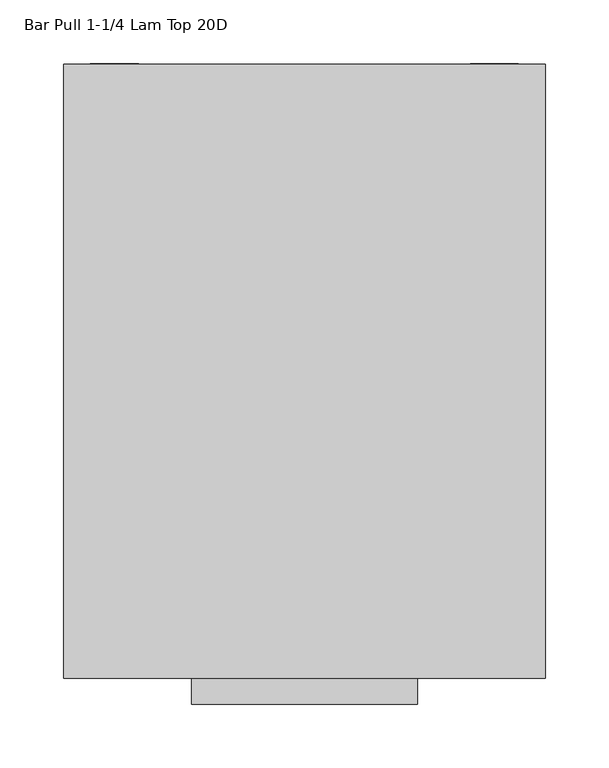
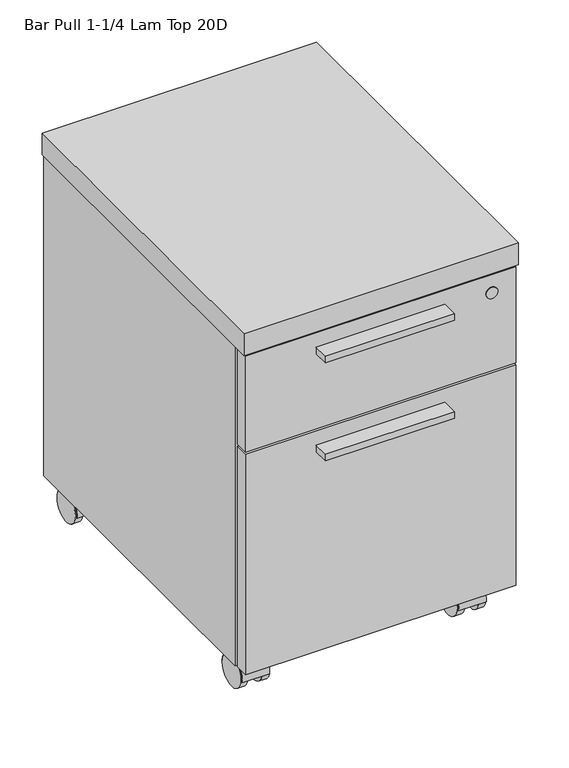
"""IFC4 building model written with IfcOpenShell, lengths in millimetres: furniture geometry, Bar Pull 1-1/4 Lam Top 20D."""

from ifc_helpers import new_model, si_unit, point, frame, frame_2d, origin, place, context, project, spatial, polyline, circle_curve, trimmed, segment, composite_curve, outline, extrude, source, transform, mapped, element, save
from ifc_brep_helpers import plane_surface, revolved_surface, advanced_brep


def bar_pull_1_1_4_lam_top_20d_9b448998(model_context):
    return source(origin(), model_context, "Body", "SolidModel", [
        extrude(outline(composite_curve([segment(trimmed(circle_curve(frame_2d((38.552757, -443.2433984)), 2.8952236), [point((35.6575335, -443.2433984))], [point((41.4479806, -443.2433984))], False, "CARTESIAN"), True, "CONTINUOUS"), segment(trimmed(circle_curve(frame_2d((38.552757, -443.2433984)), 2.8952236), [point((41.4479806, -443.2433984))], [point((35.6575335, -443.2433984))], False, "CARTESIAN"), True, "CONTINUOUS")], self_intersect=False)), frame((0.0, 0.0, 47.4178766), z_axis=(0.0, 0.0, 1.0), x_axis=(1.0, 0.0, 0.0)), (0.0, 0.0, 1.0), 2.54),
        extrude(outline(composite_curve([segment(trimmed(circle_curve(frame_2d((38.552757, -443.5086607)), 7.4123574), [point((31.1403996, -443.5086607))], [point((45.9651144, -443.5086607))], False, "CARTESIAN"), True, "CONTINUOUS"), segment(trimmed(circle_curve(frame_2d((38.552757, -443.5086607)), 7.4123574), [point((45.9651144, -443.5086607))], [point((31.1403996, -443.5086607))], False, "CARTESIAN"), True, "CONTINUOUS")], self_intersect=False)), frame((0.0, 0.0, 49.9578766), z_axis=(0.0, 0.0, 1.0), x_axis=(1.0, 0.0, 0.0)), (0.0, 0.0, 1.0), 4.7226624),
        advanced_brep(
        [(30.3783996, -443.5086607, 54.680539), (46.7271144, -443.5086607, 54.680539), (25.852757, -443.5086607, 57.5818), (51.252757, -443.5086607, 57.5818)],
        [
            (0, 1, circle_curve(frame((38.552757, -443.5086607, 54.680539), z_axis=(0.0, 0.0, -1.0), x_axis=(-1.0, 0.0, 0.0)), 8.1743574)),
            (1, 0, circle_curve(frame((38.552757, -443.5086607, 54.680539), z_axis=(0.0, 0.0, -1.0), x_axis=(1.0, 0.0, 0.0)), 8.1743574)),
            (2, 3, circle_curve(frame((38.552757, -443.5086607, 57.5818), z_axis=(0.0, 0.0, 1.0), x_axis=(1.0, 0.0, 0.0)), 12.7)),
            (3, 2, circle_curve(frame((38.552757, -443.5086607, 57.5818), z_axis=(0.0, 0.0, 1.0), x_axis=(-1.0, 0.0, 0.0)), 12.7)),
            (2, 0),
            (1, 3),
        ],
        [
            plane_surface(frame((38.552757, -443.5086607, 54.680539), z_axis=(0.0, 0.0, -1.0), x_axis=(0.0, -1.0, 0.0))),
            plane_surface(frame((38.552757, -443.5086607, 57.5818), z_axis=(0.0, 0.0, 1.0), x_axis=(0.0, -1.0, 0.0))),
            revolved_surface(polyline([(46.72711441053413, -443.5086607, 54.680539), (51.252757, -443.5086607, 57.5818)]), (38.552757, -443.5086607, 49.4401905), (0.0, 0.0, 1.0)),
            revolved_surface(polyline([(30.378399589465875, -443.5086607, 54.680539), (25.852757, -443.5086607, 57.5818)]), (38.552757, -443.5086607, 49.4401905), (0.0, 0.0, 1.0)),
        ],
        [
            (0, [[1, 2]]),
            (1, [[3, 4]]),
            (2, [[-3, 5, -2, 6]]),
            (3, [[-4, -6, -1, -5]]),
        ],
    ),
        extrude(outline(composite_curve([segment(trimmed(circle_curve(frame_2d((38.552757, -443.2781099)), 6.0714648), [point((32.4812922, -443.2781099))], [point((44.6242219, -443.2781099))], False, "CARTESIAN"), True, "CONTINUOUS"), segment(trimmed(circle_curve(frame_2d((38.552757, -443.2781099)), 6.0714648), [point((44.6242219, -443.2781099))], [point((32.4812922, -443.2781099))], False, "CARTESIAN"), True, "CONTINUOUS")], self_intersect=False)), frame((0.0, 0.0, 31.6701308), z_axis=(0.0, 0.0, 1.0), x_axis=(1.0, 0.0, 0.0)), (0.0, 0.0, 1.0), 15.7477457),
        extrude(outline(composite_curve([segment(polyline([(-401.009387, 18.6856043), (-402.0037644, 18.6856043)]), True, "CONTINUOUS"), segment(trimmed(circle_curve(frame_2d((-424.6129713, 22.0624907)), 22.86), [point((-402.0037644, 18.6856043))], [point((-447.2221782, 18.6856043))], True, "CARTESIAN"), True, "CONTINUOUS"), segment(polyline([(-447.2221782, 18.6856043), (-448.2152732, 18.6856043)]), True, "CONTINUOUS"), segment(trimmed(circle_curve(frame_2d((-424.6123301, 22.0624907)), 23.8432859), [point((-448.2152732, 18.6856043))], [point((-401.009387, 18.6856043))], False, "CARTESIAN"), True, "CONTINUOUS")], self_intersect=False)), frame((19.558, 0.0, 0.0), z_axis=(1.0, 0.0, 0.0), x_axis=(0.0, 1.0, 0.0)), (0.0, 0.0, 1.0), 37.9984),
        extrude(outline(composite_curve([segment(trimmed(circle_curve(frame_2d((-424.6129713, 21.9964)), 21.9964), [point((-402.6165713, 21.9964))], [point((-446.6093713, 21.9964))], False, "CARTESIAN"), True, "CONTINUOUS"), segment(trimmed(circle_curve(frame_2d((-424.6129713, 21.9964)), 21.9964), [point((-446.6093713, 21.9964))], [point((-402.6165713, 21.9964))], False, "CARTESIAN"), True, "CONTINUOUS")], self_intersect=False)), frame((18.448657, 0.0, 0.0), z_axis=(1.0, 0.0, 0.0), x_axis=(0.0, 1.0, 0.0)), (0.0, 0.0, 1.0), 10.16),
        extrude(outline(composite_curve([segment(trimmed(circle_curve(frame_2d((-424.6129713, 21.9964)), 21.9964), [point((-402.6165713, 21.9964))], [point((-446.6093713, 21.9964))], False, "CARTESIAN"), True, "CONTINUOUS"), segment(trimmed(circle_curve(frame_2d((-424.6129713, 21.9964)), 21.9964), [point((-446.6093713, 21.9964))], [point((-402.6165713, 21.9964))], False, "CARTESIAN"), True, "CONTINUOUS")], self_intersect=False)), frame((48.496857, 0.0, 0.0), z_axis=(1.0, 0.0, 0.0), x_axis=(0.0, 1.0, 0.0)), (0.0, 0.0, 1.0), 10.16),
        extrude(outline(composite_curve([segment(trimmed(circle_curve(frame_2d((52.5526, -429.6167713)), 5.0038), [point((52.5526, -424.6129713))], [point((57.5564, -429.6167713))], False, "CARTESIAN"), True, "CONTINUOUS"), segment(polyline([(57.5564, -429.6167713), (57.5564, -457.6075713)]), True, "CONTINUOUS"), segment(trimmed(circle_curve(frame_2d((52.5526, -457.6075713)), 5.0038), [point((57.5564, -457.6075713))], [point((52.5526, -462.6113713))], False, "CARTESIAN"), True, "CONTINUOUS"), segment(polyline([(52.5526, -462.6113713), (24.5618, -462.6113713)]), True, "CONTINUOUS"), segment(trimmed(circle_curve(frame_2d((24.5618, -457.6075713)), 5.0038), [point((24.5618, -462.6113713))], [point((19.558, -457.6075713))], False, "CARTESIAN"), True, "CONTINUOUS"), segment(polyline([(19.558, -457.6075713), (19.558, -429.6167713)]), True, "CONTINUOUS"), segment(trimmed(circle_curve(frame_2d((24.5618, -429.6167713)), 5.0038), [point((19.558, -429.6167713))], [point((24.5618, -424.6129713))], False, "CARTESIAN"), True, "CONTINUOUS"), segment(polyline([(24.5618, -424.6129713), (52.5526, -424.6129713)]), True, "CONTINUOUS")], self_intersect=False)), frame((0.0, 0.0, 57.5818), z_axis=(0.0, 0.0, 1.0), x_axis=(1.0, 0.0, 0.0)), (0.0, 0.0, 1.0), 2.0066),
        extrude(outline(composite_curve([segment(trimmed(circle_curve(frame_2d((337.358357, -443.2433984)), 2.8952236), [point((334.4631335, -443.2433984))], [point((340.2535806, -443.2433984))], False, "CARTESIAN"), True, "CONTINUOUS"), segment(trimmed(circle_curve(frame_2d((337.358357, -443.2433984)), 2.8952236), [point((340.2535806, -443.2433984))], [point((334.4631335, -443.2433984))], False, "CARTESIAN"), True, "CONTINUOUS")], self_intersect=False)), frame((0.0, 0.0, 47.4178766), z_axis=(0.0, 0.0, 1.0), x_axis=(1.0, 0.0, 0.0)), (0.0, 0.0, 1.0), 2.54),
        extrude(outline(composite_curve([segment(trimmed(circle_curve(frame_2d((337.358357, -443.5086607)), 7.4123574), [point((329.9459996, -443.5086607))], [point((344.7707144, -443.5086607))], False, "CARTESIAN"), True, "CONTINUOUS"), segment(trimmed(circle_curve(frame_2d((337.358357, -443.5086607)), 7.4123574), [point((344.7707144, -443.5086607))], [point((329.9459996, -443.5086607))], False, "CARTESIAN"), True, "CONTINUOUS")], self_intersect=False)), frame((0.0, 0.0, 49.9578766), z_axis=(0.0, 0.0, 1.0), x_axis=(1.0, 0.0, 0.0)), (0.0, 0.0, 1.0), 4.7226624),
        advanced_brep(
        [(329.1839996, -443.5086607, 54.680539), (345.5327144, -443.5086607, 54.680539), (324.658357, -443.5086607, 57.5818), (350.058357, -443.5086607, 57.5818)],
        [
            (0, 1, circle_curve(frame((337.358357, -443.5086607, 54.680539), z_axis=(0.0, 0.0, -1.0), x_axis=(-1.0, 0.0, 0.0)), 8.1743574)),
            (1, 0, circle_curve(frame((337.358357, -443.5086607, 54.680539), z_axis=(0.0, 0.0, -1.0), x_axis=(1.0, 0.0, 0.0)), 8.1743574)),
            (2, 3, circle_curve(frame((337.358357, -443.5086607, 57.5818), z_axis=(0.0, 0.0, 1.0), x_axis=(1.0, 0.0, 0.0)), 12.7)),
            (3, 2, circle_curve(frame((337.358357, -443.5086607, 57.5818), z_axis=(0.0, 0.0, 1.0), x_axis=(-1.0, 0.0, 0.0)), 12.7)),
            (2, 0),
            (1, 3),
        ],
        [
            plane_surface(frame((337.358357, -443.5086607, 54.680539), z_axis=(0.0, 0.0, -1.0), x_axis=(0.0, -1.0, 0.0))),
            plane_surface(frame((337.358357, -443.5086607, 57.5818), z_axis=(0.0, 0.0, 1.0), x_axis=(0.0, -1.0, 0.0))),
            revolved_surface(polyline([(345.53271441053414, -443.5086607, 54.680539), (350.058357, -443.5086607, 57.5818)]), (337.358357, -443.5086607, 49.4401905), (0.0, 0.0, 1.0)),
            revolved_surface(polyline([(329.1839995894659, -443.5086607, 54.680539), (324.658357, -443.5086607, 57.5818)]), (337.358357, -443.5086607, 49.4401905), (0.0, 0.0, 1.0)),
        ],
        [
            (0, [[1, 2]]),
            (1, [[3, 4]]),
            (2, [[-3, 5, -2, 6]]),
            (3, [[-4, -6, -1, -5]]),
        ],
    ),
        extrude(outline(composite_curve([segment(trimmed(circle_curve(frame_2d((337.358357, -443.2781099)), 6.0714648), [point((331.2868922, -443.2781099))], [point((343.4298219, -443.2781099))], False, "CARTESIAN"), True, "CONTINUOUS"), segment(trimmed(circle_curve(frame_2d((337.358357, -443.2781099)), 6.0714648), [point((343.4298219, -443.2781099))], [point((331.2868922, -443.2781099))], False, "CARTESIAN"), True, "CONTINUOUS")], self_intersect=False)), frame((0.0, 0.0, 31.6701308), z_axis=(0.0, 0.0, 1.0), x_axis=(1.0, 0.0, 0.0)), (0.0, 0.0, 1.0), 15.7477457),
        extrude(outline(composite_curve([segment(polyline([(-401.009387, 18.6856043), (-402.0037644, 18.6856043)]), True, "CONTINUOUS"), segment(trimmed(circle_curve(frame_2d((-424.6129713, 22.0624907)), 22.86), [point((-402.0037644, 18.6856043))], [point((-447.2221782, 18.6856043))], True, "CARTESIAN"), True, "CONTINUOUS"), segment(polyline([(-447.2221782, 18.6856043), (-448.2152732, 18.6856043)]), True, "CONTINUOUS"), segment(trimmed(circle_curve(frame_2d((-424.6123301, 22.0624907)), 23.8432859), [point((-448.2152732, 18.6856043))], [point((-401.009387, 18.6856043))], False, "CARTESIAN"), True, "CONTINUOUS")], self_intersect=False)), frame((318.3636, 0.0, 0.0), z_axis=(1.0, 0.0, 0.0), x_axis=(0.0, 1.0, 0.0)), (0.0, 0.0, 1.0), 37.9984),
        extrude(outline(composite_curve([segment(trimmed(circle_curve(frame_2d((-424.6129713, 21.9964)), 21.9964), [point((-402.6165713, 21.9964))], [point((-446.6093713, 21.9964))], False, "CARTESIAN"), True, "CONTINUOUS"), segment(trimmed(circle_curve(frame_2d((-424.6129713, 21.9964)), 21.9964), [point((-446.6093713, 21.9964))], [point((-402.6165713, 21.9964))], False, "CARTESIAN"), True, "CONTINUOUS")], self_intersect=False)), frame((317.254257, 0.0, 0.0), z_axis=(1.0, 0.0, 0.0), x_axis=(0.0, 1.0, 0.0)), (0.0, 0.0, 1.0), 10.16),
        extrude(outline(composite_curve([segment(trimmed(circle_curve(frame_2d((-424.6129713, 21.9964)), 21.9964), [point((-402.6165713, 21.9964))], [point((-446.6093713, 21.9964))], False, "CARTESIAN"), True, "CONTINUOUS"), segment(trimmed(circle_curve(frame_2d((-424.6129713, 21.9964)), 21.9964), [point((-446.6093713, 21.9964))], [point((-402.6165713, 21.9964))], False, "CARTESIAN"), True, "CONTINUOUS")], self_intersect=False)), frame((347.302457, 0.0, 0.0), z_axis=(1.0, 0.0, 0.0), x_axis=(0.0, 1.0, 0.0)), (0.0, 0.0, 1.0), 10.16),
        extrude(outline(composite_curve([segment(trimmed(circle_curve(frame_2d((351.3582, -429.6167713)), 5.0038), [point((351.3582, -424.6129713))], [point((356.362, -429.6167713))], False, "CARTESIAN"), True, "CONTINUOUS"), segment(polyline([(356.362, -429.6167713), (356.362, -457.6075713)]), True, "CONTINUOUS"), segment(trimmed(circle_curve(frame_2d((351.3582, -457.6075713)), 5.0038), [point((356.362, -457.6075713))], [point((351.3582, -462.6113713))], False, "CARTESIAN"), True, "CONTINUOUS"), segment(polyline([(351.3582, -462.6113713), (323.3674, -462.6113713)]), True, "CONTINUOUS"), segment(trimmed(circle_curve(frame_2d((323.3674, -457.6075713)), 5.0038), [point((323.3674, -462.6113713))], [point((318.3636, -457.6075713))], False, "CARTESIAN"), True, "CONTINUOUS"), segment(polyline([(318.3636, -457.6075713), (318.3636, -429.6167713)]), True, "CONTINUOUS"), segment(trimmed(circle_curve(frame_2d((323.3674, -429.6167713)), 5.0038), [point((318.3636, -429.6167713))], [point((323.3674, -424.6129713))], False, "CARTESIAN"), True, "CONTINUOUS"), segment(polyline([(323.3674, -424.6129713), (351.3582, -424.6129713)]), True, "CONTINUOUS")], self_intersect=False)), frame((0.0, 0.0, 57.5818), z_axis=(0.0, 0.0, 1.0), x_axis=(1.0, 0.0, 0.0)), (0.0, 0.0, 1.0), 2.0066),
        extrude(outline(composite_curve([segment(trimmed(circle_curve(frame_2d((337.358357, -48.4257984)), 2.8952236), [point((334.4631335, -48.4257984))], [point((340.2535806, -48.4257984))], False, "CARTESIAN"), True, "CONTINUOUS"), segment(trimmed(circle_curve(frame_2d((337.358357, -48.4257984)), 2.8952236), [point((340.2535806, -48.4257984))], [point((334.4631335, -48.4257984))], False, "CARTESIAN"), True, "CONTINUOUS")], self_intersect=False)), frame((0.0, 0.0, 47.4178766), z_axis=(0.0, 0.0, 1.0), x_axis=(1.0, 0.0, 0.0)), (0.0, 0.0, 1.0), 2.54),
        extrude(outline(composite_curve([segment(trimmed(circle_curve(frame_2d((337.358357, -48.6910607)), 7.4123574), [point((329.9459996, -48.6910607))], [point((344.7707144, -48.6910607))], False, "CARTESIAN"), True, "CONTINUOUS"), segment(trimmed(circle_curve(frame_2d((337.358357, -48.6910607)), 7.4123574), [point((344.7707144, -48.6910607))], [point((329.9459996, -48.6910607))], False, "CARTESIAN"), True, "CONTINUOUS")], self_intersect=False)), frame((0.0, 0.0, 49.9578766), z_axis=(0.0, 0.0, 1.0), x_axis=(1.0, 0.0, 0.0)), (0.0, 0.0, 1.0), 4.7226624),
        advanced_brep(
        [(329.1839996, -48.6910607, 54.680539), (345.5327144, -48.6910607, 54.680539), (324.658357, -48.6910607, 57.5818), (350.058357, -48.6910607, 57.5818)],
        [
            (0, 1, circle_curve(frame((337.358357, -48.6910607, 54.680539), z_axis=(0.0, 0.0, -1.0), x_axis=(-1.0, 0.0, 0.0)), 8.1743574)),
            (1, 0, circle_curve(frame((337.358357, -48.6910607, 54.680539), z_axis=(0.0, 0.0, -1.0), x_axis=(1.0, 0.0, 0.0)), 8.1743574)),
            (2, 3, circle_curve(frame((337.358357, -48.6910607, 57.5818), z_axis=(0.0, 0.0, 1.0), x_axis=(1.0, 0.0, 0.0)), 12.7)),
            (3, 2, circle_curve(frame((337.358357, -48.6910607, 57.5818), z_axis=(0.0, 0.0, 1.0), x_axis=(-1.0, 0.0, 0.0)), 12.7)),
            (2, 0),
            (1, 3),
        ],
        [
            plane_surface(frame((337.358357, -48.6910607, 54.680539), z_axis=(0.0, 0.0, -1.0), x_axis=(0.0, -1.0, 0.0))),
            plane_surface(frame((337.358357, -48.6910607, 57.5818), z_axis=(0.0, 0.0, 1.0), x_axis=(0.0, -1.0, 0.0))),
            revolved_surface(polyline([(345.53271441053414, -48.6910607, 54.680539), (350.058357, -48.6910607, 57.5818)]), (337.358357, -48.6910607, 49.4401905), (0.0, 0.0, 1.0)),
            revolved_surface(polyline([(329.1839995894659, -48.6910607, 54.680539), (324.658357, -48.6910607, 57.5818)]), (337.358357, -48.6910607, 49.4401905), (0.0, 0.0, 1.0)),
        ],
        [
            (0, [[1, 2]]),
            (1, [[3, 4]]),
            (2, [[-3, 5, -2, 6]]),
            (3, [[-4, -6, -1, -5]]),
        ],
    ),
        extrude(outline(composite_curve([segment(trimmed(circle_curve(frame_2d((337.358357, -48.4605099)), 6.0714648), [point((331.2868922, -48.4605099))], [point((343.4298219, -48.4605099))], False, "CARTESIAN"), True, "CONTINUOUS"), segment(trimmed(circle_curve(frame_2d((337.358357, -48.4605099)), 6.0714648), [point((343.4298219, -48.4605099))], [point((331.2868922, -48.4605099))], False, "CARTESIAN"), True, "CONTINUOUS")], self_intersect=False)), frame((0.0, 0.0, 31.6701308), z_axis=(0.0, 0.0, 1.0), x_axis=(1.0, 0.0, 0.0)), (0.0, 0.0, 1.0), 15.7477457),
        extrude(outline(composite_curve([segment(polyline([(-6.191787, 18.6856043), (-7.1861644, 18.6856043)]), True, "CONTINUOUS"), segment(trimmed(circle_curve(frame_2d((-29.7953713, 22.0624907)), 22.86), [point((-7.1861644, 18.6856043))], [point((-52.4045782, 18.6856043))], True, "CARTESIAN"), True, "CONTINUOUS"), segment(polyline([(-52.4045782, 18.6856043), (-53.3976732, 18.6856043)]), True, "CONTINUOUS"), segment(trimmed(circle_curve(frame_2d((-29.7947301, 22.0624907)), 23.8432859), [point((-53.3976732, 18.6856043))], [point((-6.191787, 18.6856043))], False, "CARTESIAN"), True, "CONTINUOUS")], self_intersect=False)), frame((318.3636, 0.0, 0.0), z_axis=(1.0, 0.0, 0.0), x_axis=(0.0, 1.0, 0.0)), (0.0, 0.0, 1.0), 37.9984),
        extrude(outline(composite_curve([segment(trimmed(circle_curve(frame_2d((-29.7953713, 21.9964)), 21.9964), [point((-7.7989713, 21.9964))], [point((-51.7917713, 21.9964))], False, "CARTESIAN"), True, "CONTINUOUS"), segment(trimmed(circle_curve(frame_2d((-29.7953713, 21.9964)), 21.9964), [point((-51.7917713, 21.9964))], [point((-7.7989713, 21.9964))], False, "CARTESIAN"), True, "CONTINUOUS")], self_intersect=False)), frame((317.254257, 0.0, 0.0), z_axis=(1.0, 0.0, 0.0), x_axis=(0.0, 1.0, 0.0)), (0.0, 0.0, 1.0), 10.16),
        extrude(outline(composite_curve([segment(trimmed(circle_curve(frame_2d((-29.7953713, 21.9964)), 21.9964), [point((-7.7989713, 21.9964))], [point((-51.7917713, 21.9964))], False, "CARTESIAN"), True, "CONTINUOUS"), segment(trimmed(circle_curve(frame_2d((-29.7953713, 21.9964)), 21.9964), [point((-51.7917713, 21.9964))], [point((-7.7989713, 21.9964))], False, "CARTESIAN"), True, "CONTINUOUS")], self_intersect=False)), frame((347.302457, 0.0, 0.0), z_axis=(1.0, 0.0, 0.0), x_axis=(0.0, 1.0, 0.0)), (0.0, 0.0, 1.0), 10.16),
        extrude(outline(composite_curve([segment(trimmed(circle_curve(frame_2d((351.3582, -34.7991713)), 5.0038), [point((351.3582, -29.7953713))], [point((356.362, -34.7991713))], False, "CARTESIAN"), True, "CONTINUOUS"), segment(polyline([(356.362, -34.7991713), (356.362, -62.7899713)]), True, "CONTINUOUS"), segment(trimmed(circle_curve(frame_2d((351.3582, -62.7899713)), 5.0038), [point((356.362, -62.7899713))], [point((351.3582, -67.7937713))], False, "CARTESIAN"), True, "CONTINUOUS"), segment(polyline([(351.3582, -67.7937713), (323.3674, -67.7937713)]), True, "CONTINUOUS"), segment(trimmed(circle_curve(frame_2d((323.3674, -62.7899713)), 5.0038), [point((323.3674, -67.7937713))], [point((318.3636, -62.7899713))], False, "CARTESIAN"), True, "CONTINUOUS"), segment(polyline([(318.3636, -62.7899713), (318.3636, -34.7991713)]), True, "CONTINUOUS"), segment(trimmed(circle_curve(frame_2d((323.3674, -34.7991713)), 5.0038), [point((318.3636, -34.7991713))], [point((323.3674, -29.7953713))], False, "CARTESIAN"), True, "CONTINUOUS"), segment(polyline([(323.3674, -29.7953713), (351.3582, -29.7953713)]), True, "CONTINUOUS")], self_intersect=False)), frame((0.0, 0.0, 57.5818), z_axis=(0.0, 0.0, 1.0), x_axis=(1.0, 0.0, 0.0)), (0.0, 0.0, 1.0), 2.0066),
        extrude(outline(composite_curve([segment(trimmed(circle_curve(frame_2d((38.552757, -48.4257984)), 2.8952236), [point((35.6575335, -48.4257984))], [point((41.4479806, -48.4257984))], False, "CARTESIAN"), True, "CONTINUOUS"), segment(trimmed(circle_curve(frame_2d((38.552757, -48.4257984)), 2.8952236), [point((41.4479806, -48.4257984))], [point((35.6575335, -48.4257984))], False, "CARTESIAN"), True, "CONTINUOUS")], self_intersect=False)), frame((0.0, 0.0, 47.4178766), z_axis=(0.0, 0.0, 1.0), x_axis=(1.0, 0.0, 0.0)), (0.0, 0.0, 1.0), 2.54),
        extrude(outline(composite_curve([segment(trimmed(circle_curve(frame_2d((38.552757, -48.6910607)), 7.4123574), [point((31.1403996, -48.6910607))], [point((45.9651144, -48.6910607))], False, "CARTESIAN"), True, "CONTINUOUS"), segment(trimmed(circle_curve(frame_2d((38.552757, -48.6910607)), 7.4123574), [point((45.9651144, -48.6910607))], [point((31.1403996, -48.6910607))], False, "CARTESIAN"), True, "CONTINUOUS")], self_intersect=False)), frame((0.0, 0.0, 49.9578766), z_axis=(0.0, 0.0, 1.0), x_axis=(1.0, 0.0, 0.0)), (0.0, 0.0, 1.0), 4.7226624),
        advanced_brep(
        [(30.3783996, -48.6910607, 54.680539), (46.7271144, -48.6910607, 54.680539), (25.852757, -48.6910607, 57.5818), (51.252757, -48.6910607, 57.5818)],
        [
            (0, 1, circle_curve(frame((38.552757, -48.6910607, 54.680539), z_axis=(0.0, 0.0, -1.0), x_axis=(-1.0, 0.0, 0.0)), 8.1743574)),
            (1, 0, circle_curve(frame((38.552757, -48.6910607, 54.680539), z_axis=(0.0, 0.0, -1.0), x_axis=(1.0, 0.0, 0.0)), 8.1743574)),
            (2, 3, circle_curve(frame((38.552757, -48.6910607, 57.5818), z_axis=(0.0, 0.0, 1.0), x_axis=(1.0, 0.0, 0.0)), 12.7)),
            (3, 2, circle_curve(frame((38.552757, -48.6910607, 57.5818), z_axis=(0.0, 0.0, 1.0), x_axis=(-1.0, 0.0, 0.0)), 12.7)),
            (2, 0),
            (1, 3),
        ],
        [
            plane_surface(frame((38.552757, -48.6910607, 54.680539), z_axis=(0.0, 0.0, -1.0), x_axis=(0.0, -1.0, 0.0))),
            plane_surface(frame((38.552757, -48.6910607, 57.5818), z_axis=(0.0, 0.0, 1.0), x_axis=(0.0, -1.0, 0.0))),
            revolved_surface(polyline([(46.72711441053413, -48.6910607, 54.680539), (51.252757, -48.6910607, 57.5818)]), (38.552757, -48.6910607, 49.4401905), (0.0, 0.0, 1.0)),
            revolved_surface(polyline([(30.378399589465875, -48.6910607, 54.680539), (25.852757, -48.6910607, 57.5818)]), (38.552757, -48.6910607, 49.4401905), (0.0, 0.0, 1.0)),
        ],
        [
            (0, [[1, 2]]),
            (1, [[3, 4]]),
            (2, [[-3, 5, -2, 6]]),
            (3, [[-4, -6, -1, -5]]),
        ],
    ),
        extrude(outline(composite_curve([segment(trimmed(circle_curve(frame_2d((38.552757, -48.4605099)), 6.0714648), [point((32.4812922, -48.4605099))], [point((44.6242219, -48.4605099))], False, "CARTESIAN"), True, "CONTINUOUS"), segment(trimmed(circle_curve(frame_2d((38.552757, -48.4605099)), 6.0714648), [point((44.6242219, -48.4605099))], [point((32.4812922, -48.4605099))], False, "CARTESIAN"), True, "CONTINUOUS")], self_intersect=False)), frame((0.0, 0.0, 31.6701308), z_axis=(0.0, 0.0, 1.0), x_axis=(1.0, 0.0, 0.0)), (0.0, 0.0, 1.0), 15.7477457),
        extrude(outline(composite_curve([segment(polyline([(-6.191787, 18.6856043), (-7.1861644, 18.6856043)]), True, "CONTINUOUS"), segment(trimmed(circle_curve(frame_2d((-29.7953713, 22.0624907)), 22.86), [point((-7.1861644, 18.6856043))], [point((-52.4045782, 18.6856043))], True, "CARTESIAN"), True, "CONTINUOUS"), segment(polyline([(-52.4045782, 18.6856043), (-53.3976732, 18.6856043)]), True, "CONTINUOUS"), segment(trimmed(circle_curve(frame_2d((-29.7947301, 22.0624907)), 23.8432859), [point((-53.3976732, 18.6856043))], [point((-6.191787, 18.6856043))], False, "CARTESIAN"), True, "CONTINUOUS")], self_intersect=False)), frame((19.558, 0.0, 0.0), z_axis=(1.0, 0.0, 0.0), x_axis=(0.0, 1.0, 0.0)), (0.0, 0.0, 1.0), 37.9984),
        extrude(outline(composite_curve([segment(trimmed(circle_curve(frame_2d((-29.7953713, 21.9964)), 21.9964), [point((-7.7989713, 21.9964))], [point((-51.7917713, 21.9964))], False, "CARTESIAN"), True, "CONTINUOUS"), segment(trimmed(circle_curve(frame_2d((-29.7953713, 21.9964)), 21.9964), [point((-51.7917713, 21.9964))], [point((-7.7989713, 21.9964))], False, "CARTESIAN"), True, "CONTINUOUS")], self_intersect=False)), frame((18.448657, 0.0, 0.0), z_axis=(1.0, 0.0, 0.0), x_axis=(0.0, 1.0, 0.0)), (0.0, 0.0, 1.0), 10.16),
        extrude(outline(composite_curve([segment(trimmed(circle_curve(frame_2d((-29.7953713, 21.9964)), 21.9964), [point((-7.7989713, 21.9964))], [point((-51.7917713, 21.9964))], False, "CARTESIAN"), True, "CONTINUOUS"), segment(trimmed(circle_curve(frame_2d((-29.7953713, 21.9964)), 21.9964), [point((-51.7917713, 21.9964))], [point((-7.7989713, 21.9964))], False, "CARTESIAN"), True, "CONTINUOUS")], self_intersect=False)), frame((48.496857, 0.0, 0.0), z_axis=(1.0, 0.0, 0.0), x_axis=(0.0, 1.0, 0.0)), (0.0, 0.0, 1.0), 10.16),
        extrude(outline(composite_curve([segment(trimmed(circle_curve(frame_2d((52.5526, -34.7991713)), 5.0038), [point((52.5526, -29.7953713))], [point((57.5564, -34.7991713))], False, "CARTESIAN"), True, "CONTINUOUS"), segment(polyline([(57.5564, -34.7991713), (57.5564, -62.7899713)]), True, "CONTINUOUS"), segment(trimmed(circle_curve(frame_2d((52.5526, -62.7899713)), 5.0038), [point((57.5564, -62.7899713))], [point((52.5526, -67.7937713))], False, "CARTESIAN"), True, "CONTINUOUS"), segment(polyline([(52.5526, -67.7937713), (24.5618, -67.7937713)]), True, "CONTINUOUS"), segment(trimmed(circle_curve(frame_2d((24.5618, -62.7899713)), 5.0038), [point((24.5618, -67.7937713))], [point((19.558, -62.7899713))], False, "CARTESIAN"), True, "CONTINUOUS"), segment(polyline([(19.558, -62.7899713), (19.558, -34.7991713)]), True, "CONTINUOUS"), segment(trimmed(circle_curve(frame_2d((24.5618, -34.7991713)), 5.0038), [point((19.558, -34.7991713))], [point((24.5618, -29.7953713))], False, "CARTESIAN"), True, "CONTINUOUS"), segment(polyline([(24.5618, -29.7953713), (52.5526, -29.7953713)]), True, "CONTINUOUS")], self_intersect=False)), frame((0.0, 0.0, 57.5818), z_axis=(0.0, 0.0, 1.0), x_axis=(1.0, 0.0, 0.0)), (0.0, 0.0, 1.0), 2.0066),
        extrude(outline(polyline([(276.86, -509.7283713), (99.06, -509.7283713), (99.06, -487.5033713), (276.86, -487.5033713), (276.86, -509.7283713)])), frame((0.0, 0.0, 351.6757), z_axis=(0.0, 0.0, 1.0), x_axis=(1.0, 0.0, 0.0)), (0.0, 0.0, 1.0), 9.525),
        extrude(outline(polyline([(276.86, -509.7283713), (99.06, -509.7283713), (99.06, -487.5033713), (276.86, -487.5033713), (276.86, -509.7283713)])), frame((0.0, 0.0, 494.4491), z_axis=(0.0, 0.0, 1.0), x_axis=(1.0, 0.0, 0.0)), (0.0, 0.0, 1.0), 9.525),
        extrude(outline(polyline([(374.3325, -468.1993713), (374.3325, -487.5033713), (1.5875, -487.5033713), (1.5875, -468.1993713), (374.3325, -468.1993713)])), frame((0.0, 0.0, 60.0202), z_axis=(0.0, 0.0, 1.0), x_axis=(1.0, 0.0, 0.0)), (0.0, 0.0, 1.0), 321.818),
        extrude(outline(polyline([(374.3325, -487.5033713), (1.5875, -487.5033713), (1.5875, -468.1993713), (374.3325, -468.1993713), (374.3325, -487.5033713)])), frame((0.0, 0.0, 385.0132), z_axis=(0.0, 0.0, 1.0), x_axis=(1.0, 0.0, 0.0)), (0.0, 0.0, 1.0), 139.5984),
        extrude(outline(polyline([(377.5075, -6.4908713), (377.5075, -489.0908713), (-1.5875, -489.0908713), (-1.5875, -6.4908713), (377.5075, -6.4908713)])), frame((0.0, 0.0, 527.7866), z_axis=(0.0, 0.0, 1.0), x_axis=(1.0, 0.0, 0.0)), (0.0, 0.0, 1.0), 31.75),
        extrude(outline(polyline([(356.616, -29.0460713), (356.616, -445.7203713), (19.304, -445.7203713), (19.304, -29.0460713), (356.616, -29.0460713)])), frame((0.0, 0.0, 60.0202), z_axis=(0.0, 0.0, 1.0), x_axis=(1.0, 0.0, 0.0)), (0.0, 0.0, 1.0), 467.7664),
        extrude(outline(polyline([(356.616, -9.7420713), (356.616, -29.0460713), (19.304, -29.0460713), (19.304, -9.7420713), (356.616, -9.7420713)])), frame((0.0, 0.0, 60.2742), z_axis=(0.0, 0.0, 1.0), x_axis=(1.0, 0.0, 0.0)), (0.0, 0.0, 1.0), 467.5124),
        extrude(outline(polyline([(356.616, -445.7203713), (356.616, -465.0243713), (19.304, -465.0243713), (19.304, -445.7203713), (356.616, -445.7203713)])), frame((0.0, 0.0, 60.2742), z_axis=(0.0, 0.0, 1.0), x_axis=(1.0, 0.0, 0.0)), (0.0, 0.0, 1.0), 467.5124),
        extrude(outline(polyline([(19.304, -8.0783713), (19.304, -465.0243713), (0.0, -465.0243713), (0.0, -8.0783713), (19.304, -8.0783713)])), frame((0.0, 0.0, 60.2742), z_axis=(0.0, 0.0, 1.0), x_axis=(1.0, 0.0, 0.0)), (0.0, 0.0, 1.0), 467.5124),
        extrude(outline(polyline([(375.92, -8.0783713), (375.92, -465.0243713), (356.616, -465.0243713), (356.616, -8.0783713), (375.92, -8.0783713)])), frame((0.0, 0.0, 60.2742), z_axis=(0.0, 0.0, 1.0), x_axis=(1.0, 0.0, 0.0)), (0.0, 0.0, 1.0), 467.5124),
        extrude(outline(composite_curve([segment(trimmed(circle_curve(frame_2d((499.2116, 340.995)), 8.001), [point((499.2116, 332.994))], [point((499.2116, 348.996))], False, "CARTESIAN"), True, "CONTINUOUS"), segment(trimmed(circle_curve(frame_2d((499.2116, 340.995)), 8.001), [point((499.2116, 348.996))], [point((499.2116, 332.994))], False, "CARTESIAN"), True, "CONTINUOUS")], self_intersect=False)), frame((0.0, -489.0908713, 0.0), z_axis=(0.0, 1.0, 0.0), x_axis=(0.0, 0.0, 1.0)), (0.0, 0.0, 1.0), 1.5875),
    ])


if __name__ == "__main__":
    model = new_model("IFC4")
    model_context = context("Model", 3, world=origin())
    ifc_project = project(units=[si_unit("LENGTHUNIT", "METRE", prefix="MILLI")], contexts=[model_context])
    site = spatial("IfcSite", under=ifc_project)
    building = spatial("IfcBuilding", under=site)
    placement = place(None, origin())
    bar_pull_1_1_4_lam_top_20d_shape = bar_pull_1_1_4_lam_top_20d_9b448998(model_context)
    element("IfcFurniture", 1, ObjectType="Bar Pull 1-1/4 Lam Top 20D", at=placement, inside=building, context=model_context, shape_type="MappedRepresentation", body=[
        mapped(bar_pull_1_1_4_lam_top_20d_shape, transform((0.0, 0.0, 0.0), x_axis=(1.0, 0.0, 0.0), y_axis=(0.0, 1.0, 0.0), z_axis=(0.0, 0.0, 1.0))),
    ])
    save(model, "model.ifc")
